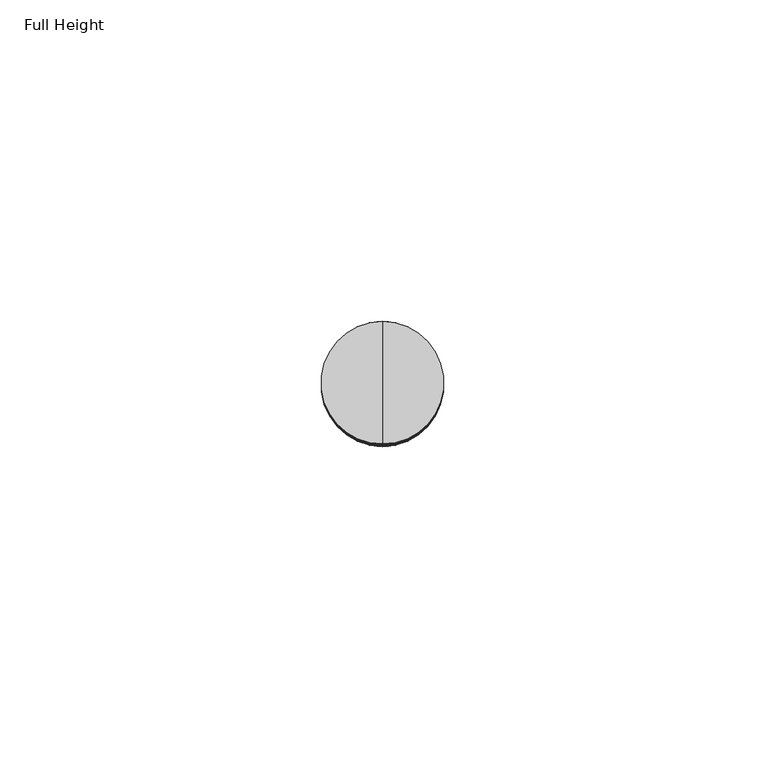
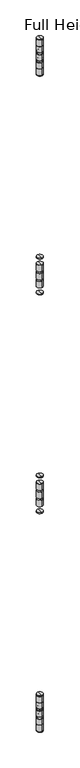
"""IFC4 building model written with IfcOpenShell, lengths in millimetres: plate geometry, Full Height."""

from ifc_helpers import new_model, si_unit, point, frame, origin, place, context, project, spatial, circle_curve, ellipse_curve, trimmed, source, transform, mapped, element, save
from ifc_brep_helpers import plane_surface, cylinder_surface, revolved_surface, advanced_brep


def full_height_0926f318(model_context):
    return source(origin(), model_context, "Body", "AdvancedBrep", [
        advanced_brep(
        [(-464.6647824, 30.9626, 1093.0466667), (-464.6647824, 30.9626, 1095.0786667), (-464.6647824, 50.0126, 1095.0786667), (-464.6647824, 50.0126, 1093.0466667), (-464.6647824, 40.4876, 1093.0466667), (-464.6647824, 40.4876, 1095.0786667)],
        [
            (0, 1),
            (1, 2, circle_curve(frame((-464.6647824, 40.4876, 1095.0786667), z_axis=(0.0, 0.0, -1.0), x_axis=(0.0, 1.0, 0.0)), 9.525)),
            (2, 3),
            (3, 0, circle_curve(frame((-464.6647824, 40.4876, 1093.0466667), z_axis=(0.0, 0.0, 1.0), x_axis=(0.0, 1.0, 0.0)), 9.525)),
            (2, 1, circle_curve(frame((-464.6647824, 40.4876, 1095.0786667), z_axis=(0.0, 0.0, -1.0), x_axis=(0.0, 1.0, 0.0)), 9.525)),
            (0, 3, circle_curve(frame((-464.6647824, 40.4876, 1093.0466667), z_axis=(0.0, 0.0, 1.0), x_axis=(0.0, 1.0, 0.0)), 9.525)),
            (4, 0),
            (3, 4),
            (1, 5),
            (5, 2),
        ],
        [
            cylinder_surface(frame((-464.6647824, 40.4876, 1871.6413333), z_axis=(0.0, 0.0, -1.0), x_axis=(0.0, 1.0, 0.0)), 9.525),
            plane_surface(frame((-464.6647824, 40.4876, 1093.0466667), z_axis=(0.0, 0.0, -1.0), x_axis=(0.0, 1.0, 0.0))),
            plane_surface(frame((-464.6647824, 40.4876, 1095.0786667), z_axis=(0.0, 0.0, 1.0), x_axis=(0.0, 1.0, 0.0))),
        ],
        [
            (0, [[1, 2, 3, 4]]),
            (0, [[-3, 5, -1, 6]]),
            (1, [[7, -4, 8]]),
            (1, [[-8, -6, -7]]),
            (2, [[9, 10, -2]]),
            (2, [[-10, -9, -5]]),
        ],
    ),
        advanced_brep(
        [(-464.6647824, 30.9626, 1052.4066667), (-464.6647824, 30.9626, 1072.7266667), (-464.6647824, 50.0126, 1072.7266667), (-464.6647824, 50.0126, 1052.4066667), (-464.6647824, 40.4876, 1052.4066667), (-464.6647824, 40.4876, 1072.7266667)],
        [
            (0, 1),
            (1, 2, circle_curve(frame((-464.6647824, 40.4876, 1072.7266667), z_axis=(0.0, 0.0, -1.0), x_axis=(0.0, 1.0, 0.0)), 9.525)),
            (2, 3),
            (3, 0, circle_curve(frame((-464.6647824, 40.4876, 1052.4066667), z_axis=(0.0, 0.0, 1.0), x_axis=(0.0, 1.0, 0.0)), 9.525)),
            (2, 1, circle_curve(frame((-464.6647824, 40.4876, 1072.7266667), z_axis=(0.0, 0.0, -1.0), x_axis=(0.0, 1.0, 0.0)), 9.525)),
            (0, 3, circle_curve(frame((-464.6647824, 40.4876, 1052.4066667), z_axis=(0.0, 0.0, 1.0), x_axis=(0.0, 1.0, 0.0)), 9.525)),
            (4, 0),
            (3, 4),
            (1, 5),
            (5, 2),
        ],
        [
            cylinder_surface(frame((-464.6647824, 40.4876, 1871.6413333), z_axis=(0.0, 0.0, -1.0), x_axis=(0.0, 1.0, 0.0)), 9.525),
            plane_surface(frame((-464.6647824, 40.4876, 1052.4066667), z_axis=(0.0, 0.0, -1.0), x_axis=(0.0, 1.0, 0.0))),
            plane_surface(frame((-464.6647824, 40.4876, 1072.7266667), z_axis=(0.0, 0.0, 1.0), x_axis=(0.0, 1.0, 0.0))),
        ],
        [
            (0, [[1, 2, 3, 4]]),
            (0, [[-3, 5, -1, 6]]),
            (1, [[7, -4, 8]]),
            (1, [[-8, -6, -7]]),
            (2, [[9, 10, -2]]),
            (2, [[-10, -9, -5]]),
        ],
    ),
        advanced_brep(
        [(-464.6647824, 30.9626, 1025.7366667), (-464.6647824, 30.9626, 1046.0566667), (-464.6647824, 50.0126, 1046.0566667), (-464.6647824, 50.0126, 1025.7366667), (-464.6647824, 40.4876, 1025.7366667), (-464.6647824, 40.4876, 1046.0566667)],
        [
            (0, 1),
            (1, 2, circle_curve(frame((-464.6647824, 40.4876, 1046.0566667), z_axis=(0.0, 0.0, -1.0), x_axis=(0.0, 1.0, 0.0)), 9.525)),
            (2, 3),
            (3, 0, circle_curve(frame((-464.6647824, 40.4876, 1025.7366667), z_axis=(0.0, 0.0, 1.0), x_axis=(0.0, 1.0, 0.0)), 9.525)),
            (2, 1, circle_curve(frame((-464.6647824, 40.4876, 1046.0566667), z_axis=(0.0, 0.0, -1.0), x_axis=(0.0, 1.0, 0.0)), 9.525)),
            (0, 3, circle_curve(frame((-464.6647824, 40.4876, 1025.7366667), z_axis=(0.0, 0.0, 1.0), x_axis=(0.0, 1.0, 0.0)), 9.525)),
            (4, 0),
            (3, 4),
            (1, 5),
            (5, 2),
        ],
        [
            cylinder_surface(frame((-464.6647824, 40.4876, 1871.6413333), z_axis=(0.0, 0.0, -1.0), x_axis=(0.0, 1.0, 0.0)), 9.525),
            plane_surface(frame((-464.6647824, 40.4876, 1025.7366667), z_axis=(0.0, 0.0, -1.0), x_axis=(0.0, 1.0, 0.0))),
            plane_surface(frame((-464.6647824, 40.4876, 1046.0566667), z_axis=(0.0, 0.0, 1.0), x_axis=(0.0, 1.0, 0.0))),
        ],
        [
            (0, [[1, 2, 3, 4]]),
            (0, [[-3, 5, -1, 6]]),
            (1, [[7, -4, 8]]),
            (1, [[-8, -6, -7]]),
            (2, [[9, 10, -2]]),
            (2, [[-10, -9, -5]]),
        ],
    ),
        advanced_brep(
        [(-464.6647824, 30.9626, 1019.3866667), (-464.6647824, 40.4876, 1019.3866667), (-464.6647824, 50.0126, 1019.3866667), (-464.6647824, 30.9626, 999.0666667), (-464.6647824, 50.0126, 999.0666667), (-464.6647824, 40.4876, 999.0666667)],
        [
            (0, 1),
            (1, 2),
            (2, 0, circle_curve(frame((-464.6647824, 40.4876, 1019.3866667), z_axis=(0.0, 0.0, 1.0), x_axis=(0.0, 1.0, 0.0)), 9.525)),
            (0, 2, circle_curve(frame((-464.6647824, 40.4876, 1019.3866667), z_axis=(0.0, 0.0, 1.0), x_axis=(0.0, 1.0, 0.0)), 9.525)),
            (3, 0),
            (2, 4),
            (4, 3, circle_curve(frame((-464.6647824, 40.4876, 999.0666667), z_axis=(0.0, 0.0, 1.0), x_axis=(0.0, 1.0, 0.0)), 9.525)),
            (3, 4, circle_curve(frame((-464.6647824, 40.4876, 999.0666667), z_axis=(0.0, 0.0, 1.0), x_axis=(0.0, 1.0, 0.0)), 9.525)),
            (5, 3),
            (4, 5),
        ],
        [
            plane_surface(frame((-464.6647824, 40.4876, 1019.3866667), z_axis=(0.0, 0.0, 1.0), x_axis=(0.0, 1.0, 0.0))),
            cylinder_surface(frame((-464.6647824, 40.4876, 1871.6413333), z_axis=(0.0, 0.0, -1.0), x_axis=(0.0, 1.0, 0.0)), 9.525),
            plane_surface(frame((-464.6647824, 40.4876, 999.0666667), z_axis=(0.0, 0.0, -1.0), x_axis=(0.0, 1.0, 0.0))),
        ],
        [
            (0, [[1, 2, 3]]),
            (0, [[-2, -1, 4]]),
            (1, [[5, -3, 6, 7]]),
            (1, [[-6, -4, -5, 8]]),
            (2, [[9, -7, 10]]),
            (2, [[-10, -8, -9]]),
        ],
    ),
        advanced_brep(
        [(-464.6647824, 30.9626, 976.7146667), (-464.6647824, 30.9626, 978.7466667), (-464.6647824, 50.0126, 978.7466667), (-464.6647824, 50.0126, 976.7146667), (-464.6647824, 40.4876, 976.7146667), (-464.6647824, 40.4876, 978.7466667)],
        [
            (0, 1),
            (1, 2, circle_curve(frame((-464.6647824, 40.4876, 978.7466667), z_axis=(0.0, 0.0, -1.0), x_axis=(0.0, 1.0, 0.0)), 9.525)),
            (2, 3),
            (3, 0, circle_curve(frame((-464.6647824, 40.4876, 976.7146667), z_axis=(0.0, 0.0, 1.0), x_axis=(0.0, 1.0, 0.0)), 9.525)),
            (2, 1, circle_curve(frame((-464.6647824, 40.4876, 978.7466667), z_axis=(0.0, 0.0, -1.0), x_axis=(0.0, 1.0, 0.0)), 9.525)),
            (0, 3, circle_curve(frame((-464.6647824, 40.4876, 976.7146667), z_axis=(0.0, 0.0, 1.0), x_axis=(0.0, 1.0, 0.0)), 9.525)),
            (4, 0),
            (3, 4),
            (1, 5),
            (5, 2),
        ],
        [
            cylinder_surface(frame((-464.6647824, 40.4876, 1871.6413333), z_axis=(0.0, 0.0, -1.0), x_axis=(0.0, 1.0, 0.0)), 9.525),
            plane_surface(frame((-464.6647824, 40.4876, 976.7146667), z_axis=(0.0, 0.0, -1.0), x_axis=(0.0, 1.0, 0.0))),
            plane_surface(frame((-464.6647824, 40.4876, 978.7466667), z_axis=(0.0, 0.0, 1.0), x_axis=(0.0, 1.0, 0.0))),
        ],
        [
            (0, [[1, 2, 3, 4]]),
            (0, [[-3, 5, -1, 6]]),
            (1, [[7, -4, 8]]),
            (1, [[-8, -6, -7]]),
            (2, [[9, 10, -2]]),
            (2, [[-10, -9, -5]]),
        ],
    ),
        advanced_brep(
        [(-464.6647824, 30.9626, 1805.0933333), (-464.6647824, 30.9626, 1807.1253333), (-464.6647824, 50.0126, 1807.1253333), (-464.6647824, 50.0126, 1805.0933333), (-464.6647824, 40.4876, 1805.0933333), (-464.6647824, 40.4876, 1807.1253333)],
        [
            (0, 1),
            (1, 2, circle_curve(frame((-464.6647824, 40.4876, 1807.1253333), z_axis=(0.0, 0.0, -1.0), x_axis=(0.0, 1.0, 0.0)), 9.525)),
            (2, 3),
            (3, 0, circle_curve(frame((-464.6647824, 40.4876, 1805.0933333), z_axis=(0.0, 0.0, 1.0), x_axis=(0.0, 1.0, 0.0)), 9.525)),
            (2, 1, circle_curve(frame((-464.6647824, 40.4876, 1807.1253333), z_axis=(0.0, 0.0, -1.0), x_axis=(0.0, 1.0, 0.0)), 9.525)),
            (0, 3, circle_curve(frame((-464.6647824, 40.4876, 1805.0933333), z_axis=(0.0, 0.0, 1.0), x_axis=(0.0, 1.0, 0.0)), 9.525)),
            (4, 0),
            (3, 4),
            (1, 5),
            (5, 2),
        ],
        [
            cylinder_surface(frame((-464.6647824, 40.4876, 1871.6413333), z_axis=(0.0, 0.0, -1.0), x_axis=(0.0, 1.0, 0.0)), 9.525),
            plane_surface(frame((-464.6647824, 40.4876, 1805.0933333), z_axis=(0.0, 0.0, -1.0), x_axis=(0.0, 1.0, 0.0))),
            plane_surface(frame((-464.6647824, 40.4876, 1807.1253333), z_axis=(0.0, 0.0, 1.0), x_axis=(0.0, 1.0, 0.0))),
        ],
        [
            (0, [[1, 2, 3, 4]]),
            (0, [[-3, 5, -1, 6]]),
            (1, [[7, -4, 8]]),
            (1, [[-8, -6, -7]]),
            (2, [[9, 10, -2]]),
            (2, [[-10, -9, -5]]),
        ],
    ),
        advanced_brep(
        [(-464.6647824, 30.9626, 1764.4533333), (-464.6647824, 30.9626, 1784.7733333), (-464.6647824, 50.0126, 1784.7733333), (-464.6647824, 50.0126, 1764.4533333), (-464.6647824, 40.4876, 1764.4533333), (-464.6647824, 40.4876, 1784.7733333)],
        [
            (0, 1),
            (1, 2, circle_curve(frame((-464.6647824, 40.4876, 1784.7733333), z_axis=(0.0, 0.0, -1.0), x_axis=(0.0, 1.0, 0.0)), 9.525)),
            (2, 3),
            (3, 0, circle_curve(frame((-464.6647824, 40.4876, 1764.4533333), z_axis=(0.0, 0.0, 1.0), x_axis=(0.0, 1.0, 0.0)), 9.525)),
            (2, 1, circle_curve(frame((-464.6647824, 40.4876, 1784.7733333), z_axis=(0.0, 0.0, -1.0), x_axis=(0.0, 1.0, 0.0)), 9.525)),
            (0, 3, circle_curve(frame((-464.6647824, 40.4876, 1764.4533333), z_axis=(0.0, 0.0, 1.0), x_axis=(0.0, 1.0, 0.0)), 9.525)),
            (4, 0),
            (3, 4),
            (1, 5),
            (5, 2),
        ],
        [
            cylinder_surface(frame((-464.6647824, 40.4876, 1871.6413333), z_axis=(0.0, 0.0, -1.0), x_axis=(0.0, 1.0, 0.0)), 9.525),
            plane_surface(frame((-464.6647824, 40.4876, 1764.4533333), z_axis=(0.0, 0.0, -1.0), x_axis=(0.0, 1.0, 0.0))),
            plane_surface(frame((-464.6647824, 40.4876, 1784.7733333), z_axis=(0.0, 0.0, 1.0), x_axis=(0.0, 1.0, 0.0))),
        ],
        [
            (0, [[1, 2, 3, 4]]),
            (0, [[-3, 5, -1, 6]]),
            (1, [[7, -4, 8]]),
            (1, [[-8, -6, -7]]),
            (2, [[9, 10, -2]]),
            (2, [[-10, -9, -5]]),
        ],
    ),
        advanced_brep(
        [(-464.6647824, 30.9626, 1737.7833333), (-464.6647824, 30.9626, 1758.1033333), (-464.6647824, 50.0126, 1758.1033333), (-464.6647824, 50.0126, 1737.7833333), (-464.6647824, 40.4876, 1737.7833333), (-464.6647824, 40.4876, 1758.1033333)],
        [
            (0, 1),
            (1, 2, circle_curve(frame((-464.6647824, 40.4876, 1758.1033333), z_axis=(0.0, 0.0, -1.0), x_axis=(0.0, 1.0, 0.0)), 9.525)),
            (2, 3),
            (3, 0, circle_curve(frame((-464.6647824, 40.4876, 1737.7833333), z_axis=(0.0, 0.0, 1.0), x_axis=(0.0, 1.0, 0.0)), 9.525)),
            (2, 1, circle_curve(frame((-464.6647824, 40.4876, 1758.1033333), z_axis=(0.0, 0.0, -1.0), x_axis=(0.0, 1.0, 0.0)), 9.525)),
            (0, 3, circle_curve(frame((-464.6647824, 40.4876, 1737.7833333), z_axis=(0.0, 0.0, 1.0), x_axis=(0.0, 1.0, 0.0)), 9.525)),
            (4, 0),
            (3, 4),
            (1, 5),
            (5, 2),
        ],
        [
            cylinder_surface(frame((-464.6647824, 40.4876, 1871.6413333), z_axis=(0.0, 0.0, -1.0), x_axis=(0.0, 1.0, 0.0)), 9.525),
            plane_surface(frame((-464.6647824, 40.4876, 1737.7833333), z_axis=(0.0, 0.0, -1.0), x_axis=(0.0, 1.0, 0.0))),
            plane_surface(frame((-464.6647824, 40.4876, 1758.1033333), z_axis=(0.0, 0.0, 1.0), x_axis=(0.0, 1.0, 0.0))),
        ],
        [
            (0, [[1, 2, 3, 4]]),
            (0, [[-3, 5, -1, 6]]),
            (1, [[7, -4, 8]]),
            (1, [[-8, -6, -7]]),
            (2, [[9, 10, -2]]),
            (2, [[-10, -9, -5]]),
        ],
    ),
        advanced_brep(
        [(-464.6647824, 30.9626, 1711.1133333), (-464.6647824, 30.9626, 1731.4333333), (-464.6647824, 50.0126, 1731.4333333), (-464.6647824, 50.0126, 1711.1133333), (-464.6647824, 40.4876, 1711.1133333), (-464.6647824, 40.4876, 1731.4333333)],
        [
            (0, 1),
            (1, 2, circle_curve(frame((-464.6647824, 40.4876, 1731.4333333), z_axis=(0.0, 0.0, -1.0), x_axis=(0.0, 1.0, 0.0)), 9.525)),
            (2, 3),
            (3, 0, circle_curve(frame((-464.6647824, 40.4876, 1711.1133333), z_axis=(0.0, 0.0, 1.0), x_axis=(0.0, 1.0, 0.0)), 9.525)),
            (2, 1, circle_curve(frame((-464.6647824, 40.4876, 1731.4333333), z_axis=(0.0, 0.0, -1.0), x_axis=(0.0, 1.0, 0.0)), 9.525)),
            (0, 3, circle_curve(frame((-464.6647824, 40.4876, 1711.1133333), z_axis=(0.0, 0.0, 1.0), x_axis=(0.0, 1.0, 0.0)), 9.525)),
            (4, 0),
            (3, 4),
            (1, 5),
            (5, 2),
        ],
        [
            cylinder_surface(frame((-464.6647824, 40.4876, 1871.6413333), z_axis=(0.0, 0.0, -1.0), x_axis=(0.0, 1.0, 0.0)), 9.525),
            plane_surface(frame((-464.6647824, 40.4876, 1711.1133333), z_axis=(0.0, 0.0, -1.0), x_axis=(0.0, 1.0, 0.0))),
            plane_surface(frame((-464.6647824, 40.4876, 1731.4333333), z_axis=(0.0, 0.0, 1.0), x_axis=(0.0, 1.0, 0.0))),
        ],
        [
            (0, [[1, 2, 3, 4]]),
            (0, [[-3, 5, -1, 6]]),
            (1, [[7, -4, 8]]),
            (1, [[-8, -6, -7]]),
            (2, [[9, 10, -2]]),
            (2, [[-10, -9, -5]]),
        ],
    ),
        advanced_brep(
        [(-464.6647824, 40.4876, 1688.7613333), (-464.6647824, 30.9626, 1688.7613333), (-464.6647824, 50.0126, 1688.7613333), (-464.6647824, 30.9626, 1690.7933333), (-464.6647824, 40.4876, 1690.7933333), (-464.6647824, 50.0126, 1690.7933333)],
        [
            (0, 1),
            (1, 2, circle_curve(frame((-464.6647824, 40.4876, 1688.7613333), z_axis=(0.0, 0.0, -1.0), x_axis=(0.0, 1.0, 0.0)), 9.525)),
            (2, 0),
            (2, 1, circle_curve(frame((-464.6647824, 40.4876, 1688.7613333), z_axis=(0.0, 0.0, -1.0), x_axis=(0.0, 1.0, 0.0)), 9.525)),
            (3, 4),
            (4, 5),
            (5, 3, circle_curve(frame((-464.6647824, 40.4876, 1690.7933333), z_axis=(0.0, 0.0, 1.0), x_axis=(0.0, 1.0, 0.0)), 9.525)),
            (3, 5, circle_curve(frame((-464.6647824, 40.4876, 1690.7933333), z_axis=(0.0, 0.0, 1.0), x_axis=(0.0, 1.0, 0.0)), 9.525)),
            (1, 3),
            (5, 2),
        ],
        [
            plane_surface(frame((-464.6647824, 40.4876, 1688.7613333), z_axis=(0.0, 0.0, -1.0), x_axis=(0.0, 1.0, 0.0))),
            plane_surface(frame((-464.6647824, 40.4876, 1690.7933333), z_axis=(0.0, 0.0, 1.0), x_axis=(0.0, 1.0, 0.0))),
            cylinder_surface(frame((-464.6647824, 40.4876, 1871.6413333), z_axis=(0.0, 0.0, -1.0), x_axis=(0.0, 1.0, 0.0)), 9.525),
        ],
        [
            (0, [[1, 2, 3]]),
            (0, [[-3, 4, -1]]),
            (1, [[5, 6, 7]]),
            (1, [[-6, -5, 8]]),
            (2, [[9, -7, 10, -2]]),
            (2, [[-10, -8, -9, -4]]),
        ],
    ),
        advanced_brep(
        [(-464.6647824, 30.9626, 334.518), (-464.6647824, 30.9626, 339.852), (-464.6647824, 50.0126, 339.852), (-464.6647824, 50.0126, 334.518), (-464.6647824, 40.4876, 334.01), (-464.6647824, 31.4706, 334.01), (-464.6647824, 49.5046, 334.01), (-464.6647824, 31.4706, 340.36), (-464.6647824, 40.4876, 340.36), (-464.6647824, 49.5046, 340.36)],
        [
            (0, 1),
            (1, 2, circle_curve(frame((-464.6647824, 40.4876, 339.852), z_axis=(0.0, 0.0, -1.0), x_axis=(0.0, 1.0, 0.0)), 9.525)),
            (2, 3),
            (3, 0, circle_curve(frame((-464.6647824, 40.4876, 334.518), z_axis=(0.0, 0.0, 1.0), x_axis=(0.0, 1.0, 0.0)), 9.525)),
            (2, 1, circle_curve(frame((-464.6647824, 40.4876, 339.852), z_axis=(0.0, 0.0, -1.0), x_axis=(0.0, 1.0, 0.0)), 9.525)),
            (0, 3, circle_curve(frame((-464.6647824, 40.4876, 334.518), z_axis=(0.0, 0.0, 1.0), x_axis=(0.0, 1.0, 0.0)), 9.525)),
            (4, 5),
            (5, 6, circle_curve(frame((-464.6647824, 40.4876, 334.01), z_axis=(0.0, 0.0, -1.0), x_axis=(0.0, 1.0, 0.0)), 9.017)),
            (6, 4),
            (6, 5, circle_curve(frame((-464.6647824, 40.4876, 334.01), z_axis=(0.0, 0.0, -1.0), x_axis=(0.0, 1.0, 0.0)), 9.017)),
            (7, 8),
            (8, 9),
            (9, 7, circle_curve(frame((-464.6647824, 40.4876, 340.36), z_axis=(0.0, 0.0, 1.0), x_axis=(0.0, 1.0, 0.0)), 9.017)),
            (7, 9, circle_curve(frame((-464.6647824, 40.4876, 340.36), z_axis=(0.0, 0.0, 1.0), x_axis=(0.0, 1.0, 0.0)), 9.017)),
            (1, 7, circle_curve(frame((-464.6647824, 31.4706, 339.852), z_axis=(-1.0, 0.0, 0.0), x_axis=(0.0, 1.0, 0.0)), 0.508)),
            (9, 2, circle_curve(frame((-464.6647824, 49.5046, 339.852), z_axis=(-1.0, 0.0, 0.0), x_axis=(0.0, -1.0, 0.0)), 0.508)),
            (5, 0, circle_curve(frame((-464.6647824, 31.4706, 334.518), z_axis=(-1.0, 0.0, 0.0), x_axis=(0.0, 1.0, 0.0)), 0.508)),
            (3, 6, circle_curve(frame((-464.6647824, 49.5046, 334.518), z_axis=(-1.0, 0.0, 0.0), x_axis=(0.0, -1.0, 0.0)), 0.508)),
        ],
        [
            cylinder_surface(frame((-464.6647824, 40.4876, 2533.65), z_axis=(0.0, 0.0, -1.0), x_axis=(0.0, 1.0, 0.0)), 9.525),
            plane_surface(frame((-464.6647824, 40.4876, 334.01), z_axis=(0.0, 0.0, -1.0), x_axis=(0.0, 1.0, 0.0))),
            plane_surface(frame((-464.6647824, 40.4876, 340.36), z_axis=(0.0, 0.0, 1.0), x_axis=(0.0, 1.0, 0.0))),
            revolved_surface(trimmed(ellipse_curve(frame((-464.6647824, 49.5046, 339.852), z_axis=(-1.0, 0.0, 0.0), x_axis=(0.0, -1.0, 0.0)), 0.508, 0.508), [point((-464.6647824, 49.5046, 340.36))], [point((-464.6647824, 50.0126, 339.852))], True, "CARTESIAN"), (-464.6647824, 40.4876, 2533.65), (0.0, 0.0, -1.0)),
            revolved_surface(trimmed(ellipse_curve(frame((-464.6647824, 49.5046, 334.518), z_axis=(-1.0, 0.0, 0.0), x_axis=(0.0, -1.0, 0.0)), 0.508, 0.508), [point((-464.6647824, 50.0126, 334.518))], [point((-464.6647824, 49.5046, 334.01))], True, "CARTESIAN"), (-464.6647824, 40.4876, 2533.65), (0.0, 0.0, -1.0)),
        ],
        [
            (0, [[1, 2, 3, 4]]),
            (0, [[-3, 5, -1, 6]]),
            (1, [[7, 8, 9]]),
            (1, [[-9, 10, -7]]),
            (2, [[11, 12, 13]]),
            (2, [[-12, -11, 14]]),
            (3, [[15, -13, 16, -2]]),
            (3, [[-16, -14, -15, -5]]),
            (4, [[17, -4, 18, -8]]),
            (4, [[-18, -6, -17, -10]]),
        ],
    ),
        advanced_brep(
        [(-464.6647824, 30.9626, 307.848), (-464.6647824, 30.9626, 313.182), (-464.6647824, 50.0126, 313.182), (-464.6647824, 50.0126, 307.848), (-464.6647824, 40.4876, 307.34), (-464.6647824, 31.4706, 307.34), (-464.6647824, 49.5046, 307.34), (-464.6647824, 31.4706, 313.69), (-464.6647824, 40.4876, 313.69), (-464.6647824, 49.5046, 313.69)],
        [
            (0, 1),
            (1, 2, circle_curve(frame((-464.6647824, 40.4876, 313.182), z_axis=(0.0, 0.0, -1.0), x_axis=(0.0, 1.0, 0.0)), 9.525)),
            (2, 3),
            (3, 0, circle_curve(frame((-464.6647824, 40.4876, 307.848), z_axis=(0.0, 0.0, 1.0), x_axis=(0.0, 1.0, 0.0)), 9.525)),
            (2, 1, circle_curve(frame((-464.6647824, 40.4876, 313.182), z_axis=(0.0, 0.0, -1.0), x_axis=(0.0, 1.0, 0.0)), 9.525)),
            (0, 3, circle_curve(frame((-464.6647824, 40.4876, 307.848), z_axis=(0.0, 0.0, 1.0), x_axis=(0.0, 1.0, 0.0)), 9.525)),
            (4, 5),
            (5, 6, circle_curve(frame((-464.6647824, 40.4876, 307.34), z_axis=(0.0, 0.0, -1.0), x_axis=(0.0, 1.0, 0.0)), 9.017)),
            (6, 4),
            (6, 5, circle_curve(frame((-464.6647824, 40.4876, 307.34), z_axis=(0.0, 0.0, -1.0), x_axis=(0.0, 1.0, 0.0)), 9.017)),
            (7, 8),
            (8, 9),
            (9, 7, circle_curve(frame((-464.6647824, 40.4876, 313.69), z_axis=(0.0, 0.0, 1.0), x_axis=(0.0, 1.0, 0.0)), 9.017)),
            (7, 9, circle_curve(frame((-464.6647824, 40.4876, 313.69), z_axis=(0.0, 0.0, 1.0), x_axis=(0.0, 1.0, 0.0)), 9.017)),
            (1, 7, circle_curve(frame((-464.6647824, 31.4706, 313.182), z_axis=(-1.0, 0.0, 0.0), x_axis=(0.0, 1.0, 0.0)), 0.508)),
            (9, 2, circle_curve(frame((-464.6647824, 49.5046, 313.182), z_axis=(-1.0, 0.0, 0.0), x_axis=(0.0, -1.0, 0.0)), 0.508)),
            (5, 0, circle_curve(frame((-464.6647824, 31.4706, 307.848), z_axis=(-1.0, 0.0, 0.0), x_axis=(0.0, 1.0, 0.0)), 0.508)),
            (3, 6, circle_curve(frame((-464.6647824, 49.5046, 307.848), z_axis=(-1.0, 0.0, 0.0), x_axis=(0.0, -1.0, 0.0)), 0.508)),
        ],
        [
            cylinder_surface(frame((-464.6647824, 40.4876, 2533.65), z_axis=(0.0, 0.0, -1.0), x_axis=(0.0, 1.0, 0.0)), 9.525),
            plane_surface(frame((-464.6647824, 40.4876, 307.34), z_axis=(0.0, 0.0, -1.0), x_axis=(0.0, 1.0, 0.0))),
            plane_surface(frame((-464.6647824, 40.4876, 313.69), z_axis=(0.0, 0.0, 1.0), x_axis=(0.0, 1.0, 0.0))),
            revolved_surface(trimmed(ellipse_curve(frame((-464.6647824, 49.5046, 313.182), z_axis=(-1.0, 0.0, 0.0), x_axis=(0.0, -1.0, 0.0)), 0.508, 0.508), [point((-464.6647824, 49.5046, 313.69))], [point((-464.6647824, 50.0126, 313.182))], True, "CARTESIAN"), (-464.6647824, 40.4876, 2533.65), (0.0, 0.0, -1.0)),
            revolved_surface(trimmed(ellipse_curve(frame((-464.6647824, 49.5046, 307.848), z_axis=(-1.0, 0.0, 0.0), x_axis=(0.0, -1.0, 0.0)), 0.508, 0.508), [point((-464.6647824, 50.0126, 307.848))], [point((-464.6647824, 49.5046, 307.34))], True, "CARTESIAN"), (-464.6647824, 40.4876, 2533.65), (0.0, 0.0, -1.0)),
        ],
        [
            (0, [[1, 2, 3, 4]]),
            (0, [[-3, 5, -1, 6]]),
            (1, [[7, 8, 9]]),
            (1, [[-9, 10, -7]]),
            (2, [[11, 12, 13]]),
            (2, [[-12, -11, 14]]),
            (3, [[15, -13, 16, -2]]),
            (3, [[-16, -14, -15, -5]]),
            (4, [[17, -4, 18, -8]]),
            (4, [[-18, -6, -17, -10]]),
        ],
    ),
        advanced_brep(
        [(-464.6647824, 30.9626, 2470.658), (-464.6647824, 30.9626, 2475.992), (-464.6647824, 50.0126, 2475.992), (-464.6647824, 50.0126, 2470.658), (-464.6647824, 40.4876, 2470.15), (-464.6647824, 31.4706, 2470.15), (-464.6647824, 49.5046, 2470.15), (-464.6647824, 31.4706, 2476.5), (-464.6647824, 40.4876, 2476.5), (-464.6647824, 49.5046, 2476.5)],
        [
            (0, 1),
            (1, 2, circle_curve(frame((-464.6647824, 40.4876, 2475.992), z_axis=(0.0, 0.0, -1.0), x_axis=(0.0, 1.0, 0.0)), 9.525)),
            (2, 3),
            (3, 0, circle_curve(frame((-464.6647824, 40.4876, 2470.658), z_axis=(0.0, 0.0, 1.0), x_axis=(0.0, 1.0, 0.0)), 9.525)),
            (2, 1, circle_curve(frame((-464.6647824, 40.4876, 2475.992), z_axis=(0.0, 0.0, -1.0), x_axis=(0.0, 1.0, 0.0)), 9.525)),
            (0, 3, circle_curve(frame((-464.6647824, 40.4876, 2470.658), z_axis=(0.0, 0.0, 1.0), x_axis=(0.0, 1.0, 0.0)), 9.525)),
            (4, 5),
            (5, 6, circle_curve(frame((-464.6647824, 40.4876, 2470.15), z_axis=(0.0, 0.0, -1.0), x_axis=(0.0, 1.0, 0.0)), 9.017)),
            (6, 4),
            (6, 5, circle_curve(frame((-464.6647824, 40.4876, 2470.15), z_axis=(0.0, 0.0, -1.0), x_axis=(0.0, 1.0, 0.0)), 9.017)),
            (7, 8),
            (8, 9),
            (9, 7, circle_curve(frame((-464.6647824, 40.4876, 2476.5), z_axis=(0.0, 0.0, 1.0), x_axis=(0.0, 1.0, 0.0)), 9.017)),
            (7, 9, circle_curve(frame((-464.6647824, 40.4876, 2476.5), z_axis=(0.0, 0.0, 1.0), x_axis=(0.0, 1.0, 0.0)), 9.017)),
            (1, 7, circle_curve(frame((-464.6647824, 31.4706, 2475.992), z_axis=(-1.0, 0.0, 0.0), x_axis=(0.0, 1.0, 0.0)), 0.508)),
            (9, 2, circle_curve(frame((-464.6647824, 49.5046, 2475.992), z_axis=(-1.0, 0.0, 0.0), x_axis=(0.0, -1.0, 0.0)), 0.508)),
            (5, 0, circle_curve(frame((-464.6647824, 31.4706, 2470.658), z_axis=(-1.0, 0.0, 0.0), x_axis=(0.0, 1.0, 0.0)), 0.508)),
            (3, 6, circle_curve(frame((-464.6647824, 49.5046, 2470.658), z_axis=(-1.0, 0.0, 0.0), x_axis=(0.0, -1.0, 0.0)), 0.508)),
        ],
        [
            cylinder_surface(frame((-464.6647824, 40.4876, 2533.65), z_axis=(0.0, 0.0, -1.0), x_axis=(0.0, 1.0, 0.0)), 9.525),
            plane_surface(frame((-464.6647824, 40.4876, 2470.15), z_axis=(0.0, 0.0, -1.0), x_axis=(0.0, 1.0, 0.0))),
            plane_surface(frame((-464.6647824, 40.4876, 2476.5), z_axis=(0.0, 0.0, 1.0), x_axis=(0.0, 1.0, 0.0))),
            revolved_surface(trimmed(ellipse_curve(frame((-464.6647824, 49.5046, 2475.992), z_axis=(-1.0, 0.0, 0.0), x_axis=(0.0, -1.0, 0.0)), 0.508, 0.508), [point((-464.6647824, 49.5046, 2476.5))], [point((-464.6647824, 50.0126, 2475.992))], True, "CARTESIAN"), (-464.6647824, 40.4876, 2533.65), (0.0, 0.0, -1.0)),
            revolved_surface(trimmed(ellipse_curve(frame((-464.6647824, 49.5046, 2470.658), z_axis=(-1.0, 0.0, 0.0), x_axis=(0.0, -1.0, 0.0)), 0.508, 0.508), [point((-464.6647824, 50.0126, 2470.658))], [point((-464.6647824, 49.5046, 2470.15))], True, "CARTESIAN"), (-464.6647824, 40.4876, 2533.65), (0.0, 0.0, -1.0)),
        ],
        [
            (0, [[1, 2, 3, 4]]),
            (0, [[-3, 5, -1, 6]]),
            (1, [[7, 8, 9]]),
            (1, [[-9, 10, -7]]),
            (2, [[11, 12, 13]]),
            (2, [[-12, -11, 14]]),
            (3, [[15, -13, 16, -2]]),
            (3, [[-16, -14, -15, -5]]),
            (4, [[17, -4, 18, -8]]),
            (4, [[-18, -6, -17, -10]]),
        ],
    ),
        advanced_brep(
        [(-464.6647824, 30.9626, 2443.988), (-464.6647824, 30.9626, 2449.322), (-464.6647824, 50.0126, 2449.322), (-464.6647824, 50.0126, 2443.988), (-464.6647824, 40.4876, 2443.48), (-464.6647824, 31.4706, 2443.48), (-464.6647824, 49.5046, 2443.48), (-464.6647824, 31.4706, 2449.83), (-464.6647824, 40.4876, 2449.83), (-464.6647824, 49.5046, 2449.83)],
        [
            (0, 1),
            (1, 2, circle_curve(frame((-464.6647824, 40.4876, 2449.322), z_axis=(0.0, 0.0, -1.0), x_axis=(0.0, 1.0, 0.0)), 9.525)),
            (2, 3),
            (3, 0, circle_curve(frame((-464.6647824, 40.4876, 2443.988), z_axis=(0.0, 0.0, 1.0), x_axis=(0.0, 1.0, 0.0)), 9.525)),
            (2, 1, circle_curve(frame((-464.6647824, 40.4876, 2449.322), z_axis=(0.0, 0.0, -1.0), x_axis=(0.0, 1.0, 0.0)), 9.525)),
            (0, 3, circle_curve(frame((-464.6647824, 40.4876, 2443.988), z_axis=(0.0, 0.0, 1.0), x_axis=(0.0, 1.0, 0.0)), 9.525)),
            (4, 5),
            (5, 6, circle_curve(frame((-464.6647824, 40.4876, 2443.48), z_axis=(0.0, 0.0, -1.0), x_axis=(0.0, 1.0, 0.0)), 9.017)),
            (6, 4),
            (6, 5, circle_curve(frame((-464.6647824, 40.4876, 2443.48), z_axis=(0.0, 0.0, -1.0), x_axis=(0.0, 1.0, 0.0)), 9.017)),
            (7, 8),
            (8, 9),
            (9, 7, circle_curve(frame((-464.6647824, 40.4876, 2449.83), z_axis=(0.0, 0.0, 1.0), x_axis=(0.0, 1.0, 0.0)), 9.017)),
            (7, 9, circle_curve(frame((-464.6647824, 40.4876, 2449.83), z_axis=(0.0, 0.0, 1.0), x_axis=(0.0, 1.0, 0.0)), 9.017)),
            (1, 7, circle_curve(frame((-464.6647824, 31.4706, 2449.322), z_axis=(-1.0, 0.0, 0.0), x_axis=(0.0, 1.0, 0.0)), 0.508)),
            (9, 2, circle_curve(frame((-464.6647824, 49.5046, 2449.322), z_axis=(-1.0, 0.0, 0.0), x_axis=(0.0, -1.0, 0.0)), 0.508)),
            (5, 0, circle_curve(frame((-464.6647824, 31.4706, 2443.988), z_axis=(-1.0, 0.0, 0.0), x_axis=(0.0, 1.0, 0.0)), 0.508)),
            (3, 6, circle_curve(frame((-464.6647824, 49.5046, 2443.988), z_axis=(-1.0, 0.0, 0.0), x_axis=(0.0, -1.0, 0.0)), 0.508)),
        ],
        [
            cylinder_surface(frame((-464.6647824, 40.4876, 2533.65), z_axis=(0.0, 0.0, -1.0), x_axis=(0.0, 1.0, 0.0)), 9.525),
            plane_surface(frame((-464.6647824, 40.4876, 2443.48), z_axis=(0.0, 0.0, -1.0), x_axis=(0.0, 1.0, 0.0))),
            plane_surface(frame((-464.6647824, 40.4876, 2449.83), z_axis=(0.0, 0.0, 1.0), x_axis=(0.0, 1.0, 0.0))),
            revolved_surface(trimmed(ellipse_curve(frame((-464.6647824, 49.5046, 2449.322), z_axis=(-1.0, 0.0, 0.0), x_axis=(0.0, -1.0, 0.0)), 0.508, 0.508), [point((-464.6647824, 49.5046, 2449.83))], [point((-464.6647824, 50.0126, 2449.322))], True, "CARTESIAN"), (-464.6647824, 40.4876, 2533.65), (0.0, 0.0, -1.0)),
            revolved_surface(trimmed(ellipse_curve(frame((-464.6647824, 49.5046, 2443.988), z_axis=(-1.0, 0.0, 0.0), x_axis=(0.0, -1.0, 0.0)), 0.508, 0.508), [point((-464.6647824, 50.0126, 2443.988))], [point((-464.6647824, 49.5046, 2443.48))], True, "CARTESIAN"), (-464.6647824, 40.4876, 2533.65), (0.0, 0.0, -1.0)),
        ],
        [
            (0, [[1, 2, 3, 4]]),
            (0, [[-3, 5, -1, 6]]),
            (1, [[7, 8, 9]]),
            (1, [[-9, 10, -7]]),
            (2, [[11, 12, 13]]),
            (2, [[-12, -11, 14]]),
            (3, [[15, -13, 16, -2]]),
            (3, [[-16, -14, -15, -5]]),
            (4, [[17, -4, 18, -8]]),
            (4, [[-18, -6, -17, -10]]),
        ],
    ),
        advanced_brep(
        [(-464.6647824, 30.9626, 2496.82), (-464.6647824, 30.9626, 2517.14), (-464.6647824, 50.0126, 2517.14), (-464.6647824, 50.0126, 2496.82), (-464.6647824, 40.4876, 2496.82), (-464.6647824, 40.4876, 2517.14)],
        [
            (0, 1),
            (1, 2, circle_curve(frame((-464.6647824, 40.4876, 2517.14), z_axis=(0.0, 0.0, -1.0), x_axis=(0.0, 1.0, 0.0)), 9.525)),
            (2, 3),
            (3, 0, circle_curve(frame((-464.6647824, 40.4876, 2496.82), z_axis=(0.0, 0.0, 1.0), x_axis=(0.0, 1.0, 0.0)), 9.525)),
            (2, 1, circle_curve(frame((-464.6647824, 40.4876, 2517.14), z_axis=(0.0, 0.0, -1.0), x_axis=(0.0, 1.0, 0.0)), 9.525)),
            (0, 3, circle_curve(frame((-464.6647824, 40.4876, 2496.82), z_axis=(0.0, 0.0, 1.0), x_axis=(0.0, 1.0, 0.0)), 9.525)),
            (4, 0),
            (3, 4),
            (1, 5),
            (5, 2),
        ],
        [
            cylinder_surface(frame((-464.6647824, 40.4876, 139.7), z_axis=(0.0, 0.0, -1.0), x_axis=(0.0, 1.0, 0.0)), 9.525),
            plane_surface(frame((-464.6647824, 40.4876, 2496.82), z_axis=(0.0, 0.0, -1.0), x_axis=(0.0, 1.0, 0.0))),
            plane_surface(frame((-464.6647824, 40.4876, 2517.14), z_axis=(0.0, 0.0, 1.0), x_axis=(0.0, 1.0, 0.0))),
        ],
        [
            (0, [[1, 2, 3, 4]]),
            (0, [[-3, 5, -1, 6]]),
            (1, [[7, -4, 8]]),
            (1, [[-8, -6, -7]]),
            (2, [[9, 10, -2]]),
            (2, [[-10, -9, -5]]),
        ],
    ),
        advanced_brep(
        [(-464.6647824, 30.9626, 2449.83), (-464.6647824, 30.9626, 2470.15), (-464.6647824, 50.0126, 2470.15), (-464.6647824, 50.0126, 2449.83), (-464.6647824, 40.4876, 2449.83), (-464.6647824, 40.4876, 2470.15)],
        [
            (0, 1),
            (1, 2, circle_curve(frame((-464.6647824, 40.4876, 2470.15), z_axis=(0.0, 0.0, -1.0), x_axis=(0.0, 1.0, 0.0)), 9.525)),
            (2, 3),
            (3, 0, circle_curve(frame((-464.6647824, 40.4876, 2449.83), z_axis=(0.0, 0.0, 1.0), x_axis=(0.0, 1.0, 0.0)), 9.525)),
            (2, 1, circle_curve(frame((-464.6647824, 40.4876, 2470.15), z_axis=(0.0, 0.0, -1.0), x_axis=(0.0, 1.0, 0.0)), 9.525)),
            (0, 3, circle_curve(frame((-464.6647824, 40.4876, 2449.83), z_axis=(0.0, 0.0, 1.0), x_axis=(0.0, 1.0, 0.0)), 9.525)),
            (4, 0),
            (3, 4),
            (1, 5),
            (5, 2),
        ],
        [
            cylinder_surface(frame((-464.6647824, 40.4876, 139.7), z_axis=(0.0, 0.0, -1.0), x_axis=(0.0, 1.0, 0.0)), 9.525),
            plane_surface(frame((-464.6647824, 40.4876, 2449.83), z_axis=(0.0, 0.0, -1.0), x_axis=(0.0, 1.0, 0.0))),
            plane_surface(frame((-464.6647824, 40.4876, 2470.15), z_axis=(0.0, 0.0, 1.0), x_axis=(0.0, 1.0, 0.0))),
        ],
        [
            (0, [[1, 2, 3, 4]]),
            (0, [[-3, 5, -1, 6]]),
            (1, [[7, -4, 8]]),
            (1, [[-8, -6, -7]]),
            (2, [[9, 10, -2]]),
            (2, [[-10, -9, -5]]),
        ],
    ),
        advanced_brep(
        [(-464.6647824, 30.9626, 2402.84), (-464.6647824, 30.9626, 2423.16), (-464.6647824, 50.0126, 2423.16), (-464.6647824, 50.0126, 2402.84), (-464.6647824, 40.4876, 2402.84), (-464.6647824, 40.4876, 2423.16)],
        [
            (0, 1),
            (1, 2, circle_curve(frame((-464.6647824, 40.4876, 2423.16), z_axis=(0.0, 0.0, -1.0), x_axis=(0.0, 1.0, 0.0)), 9.525)),
            (2, 3),
            (3, 0, circle_curve(frame((-464.6647824, 40.4876, 2402.84), z_axis=(0.0, 0.0, 1.0), x_axis=(0.0, 1.0, 0.0)), 9.525)),
            (2, 1, circle_curve(frame((-464.6647824, 40.4876, 2423.16), z_axis=(0.0, 0.0, -1.0), x_axis=(0.0, 1.0, 0.0)), 9.525)),
            (0, 3, circle_curve(frame((-464.6647824, 40.4876, 2402.84), z_axis=(0.0, 0.0, 1.0), x_axis=(0.0, 1.0, 0.0)), 9.525)),
            (4, 0),
            (3, 4),
            (1, 5),
            (5, 2),
        ],
        [
            cylinder_surface(frame((-464.6647824, 40.4876, 139.7), z_axis=(0.0, 0.0, -1.0), x_axis=(0.0, 1.0, 0.0)), 9.525),
            plane_surface(frame((-464.6647824, 40.4876, 2402.84), z_axis=(0.0, 0.0, -1.0), x_axis=(0.0, 1.0, 0.0))),
            plane_surface(frame((-464.6647824, 40.4876, 2423.16), z_axis=(0.0, 0.0, 1.0), x_axis=(0.0, 1.0, 0.0))),
        ],
        [
            (0, [[1, 2, 3, 4]]),
            (0, [[-3, 5, -1, 6]]),
            (1, [[7, -4, 8]]),
            (1, [[-8, -6, -7]]),
            (2, [[9, 10, -2]]),
            (2, [[-10, -9, -5]]),
        ],
    ),
        advanced_brep(
        [(-464.6647824, 30.9626, 381.0), (-464.6647824, 40.4876, 381.0), (-464.6647824, 50.0126, 381.0), (-464.6647824, 30.9626, 360.68), (-464.6647824, 50.0126, 360.68), (-464.6647824, 40.4876, 360.68)],
        [
            (0, 1),
            (1, 2),
            (2, 0, circle_curve(frame((-464.6647824, 40.4876, 381.0), z_axis=(0.0, 0.0, 1.0), x_axis=(0.0, 1.0, 0.0)), 9.525)),
            (0, 2, circle_curve(frame((-464.6647824, 40.4876, 381.0), z_axis=(0.0, 0.0, 1.0), x_axis=(0.0, 1.0, 0.0)), 9.525)),
            (3, 0),
            (2, 4),
            (4, 3, circle_curve(frame((-464.6647824, 40.4876, 360.68), z_axis=(0.0, 0.0, 1.0), x_axis=(0.0, 1.0, 0.0)), 9.525)),
            (3, 4, circle_curve(frame((-464.6647824, 40.4876, 360.68), z_axis=(0.0, 0.0, 1.0), x_axis=(0.0, 1.0, 0.0)), 9.525)),
            (5, 3),
            (4, 5),
        ],
        [
            plane_surface(frame((-464.6647824, 40.4876, 381.0), z_axis=(0.0, 0.0, 1.0), x_axis=(0.0, 1.0, 0.0))),
            cylinder_surface(frame((-464.6647824, 40.4876, 139.7), z_axis=(0.0, 0.0, -1.0), x_axis=(0.0, 1.0, 0.0)), 9.525),
            plane_surface(frame((-464.6647824, 40.4876, 360.68), z_axis=(0.0, 0.0, -1.0), x_axis=(0.0, 1.0, 0.0))),
        ],
        [
            (0, [[1, 2, 3]]),
            (0, [[-2, -1, 4]]),
            (1, [[5, -3, 6, 7]]),
            (1, [[-6, -4, -5, 8]]),
            (2, [[9, -7, 10]]),
            (2, [[-10, -8, -9]]),
        ],
    ),
        advanced_brep(
        [(-464.6647824, 30.9626, 313.69), (-464.6647824, 30.9626, 334.01), (-464.6647824, 50.0126, 334.01), (-464.6647824, 50.0126, 313.69), (-464.6647824, 40.4876, 313.69), (-464.6647824, 40.4876, 334.01)],
        [
            (0, 1),
            (1, 2, circle_curve(frame((-464.6647824, 40.4876, 334.01), z_axis=(0.0, 0.0, -1.0), x_axis=(0.0, 1.0, 0.0)), 9.525)),
            (2, 3),
            (3, 0, circle_curve(frame((-464.6647824, 40.4876, 313.69), z_axis=(0.0, 0.0, 1.0), x_axis=(0.0, 1.0, 0.0)), 9.525)),
            (2, 1, circle_curve(frame((-464.6647824, 40.4876, 334.01), z_axis=(0.0, 0.0, -1.0), x_axis=(0.0, 1.0, 0.0)), 9.525)),
            (0, 3, circle_curve(frame((-464.6647824, 40.4876, 313.69), z_axis=(0.0, 0.0, 1.0), x_axis=(0.0, 1.0, 0.0)), 9.525)),
            (4, 0),
            (3, 4),
            (1, 5),
            (5, 2),
        ],
        [
            cylinder_surface(frame((-464.6647824, 40.4876, 139.7), z_axis=(0.0, 0.0, -1.0), x_axis=(0.0, 1.0, 0.0)), 9.525),
            plane_surface(frame((-464.6647824, 40.4876, 313.69), z_axis=(0.0, 0.0, -1.0), x_axis=(0.0, 1.0, 0.0))),
            plane_surface(frame((-464.6647824, 40.4876, 334.01), z_axis=(0.0, 0.0, 1.0), x_axis=(0.0, 1.0, 0.0))),
        ],
        [
            (0, [[1, 2, 3, 4]]),
            (0, [[-3, 5, -1, 6]]),
            (1, [[7, -4, 8]]),
            (1, [[-8, -6, -7]]),
            (2, [[9, 10, -2]]),
            (2, [[-10, -9, -5]]),
        ],
    ),
        advanced_brep(
        [(-464.6647824, 30.9626, 266.7), (-464.6647824, 30.9626, 287.02), (-464.6647824, 50.0126, 287.02), (-464.6647824, 50.0126, 266.7), (-464.6647824, 40.4876, 266.7), (-464.6647824, 40.4876, 287.02)],
        [
            (0, 1),
            (1, 2, circle_curve(frame((-464.6647824, 40.4876, 287.02), z_axis=(0.0, 0.0, -1.0), x_axis=(0.0, 1.0, 0.0)), 9.525)),
            (2, 3),
            (3, 0, circle_curve(frame((-464.6647824, 40.4876, 266.7), z_axis=(0.0, 0.0, 1.0), x_axis=(0.0, 1.0, 0.0)), 9.525)),
            (2, 1, circle_curve(frame((-464.6647824, 40.4876, 287.02), z_axis=(0.0, 0.0, -1.0), x_axis=(0.0, 1.0, 0.0)), 9.525)),
            (0, 3, circle_curve(frame((-464.6647824, 40.4876, 266.7), z_axis=(0.0, 0.0, 1.0), x_axis=(0.0, 1.0, 0.0)), 9.525)),
            (4, 0),
            (3, 4),
            (1, 5),
            (5, 2),
        ],
        [
            cylinder_surface(frame((-464.6647824, 40.4876, 139.7), z_axis=(0.0, 0.0, -1.0), x_axis=(0.0, 1.0, 0.0)), 9.525),
            plane_surface(frame((-464.6647824, 40.4876, 266.7), z_axis=(0.0, 0.0, -1.0), x_axis=(0.0, 1.0, 0.0))),
            plane_surface(frame((-464.6647824, 40.4876, 287.02), z_axis=(0.0, 0.0, 1.0), x_axis=(0.0, 1.0, 0.0))),
        ],
        [
            (0, [[1, 2, 3, 4]]),
            (0, [[-3, 5, -1, 6]]),
            (1, [[7, -4, 8]]),
            (1, [[-8, -6, -7]]),
            (2, [[9, 10, -2]]),
            (2, [[-10, -9, -5]]),
        ],
    ),
        advanced_brep(
        [(-464.6647824, 40.4876, 381.0), (-464.6647824, 30.9626, 381.0), (-464.6647824, 50.0126, 381.0), (-464.6647824, 30.9626, 383.032), (-464.6647824, 50.0126, 383.032), (-464.6647824, 40.4876, 383.032)],
        [
            (0, 1),
            (1, 2, circle_curve(frame((-464.6647824, 40.4876, 381.0), z_axis=(0.0, 0.0, -1.0), x_axis=(0.0, 1.0, 0.0)), 9.525)),
            (2, 0),
            (2, 1, circle_curve(frame((-464.6647824, 40.4876, 381.0), z_axis=(0.0, 0.0, -1.0), x_axis=(0.0, 1.0, 0.0)), 9.525)),
            (1, 3),
            (3, 4, circle_curve(frame((-464.6647824, 40.4876, 383.032), z_axis=(0.0, 0.0, -1.0), x_axis=(0.0, 1.0, 0.0)), 9.525)),
            (4, 2),
            (4, 3, circle_curve(frame((-464.6647824, 40.4876, 383.032), z_axis=(0.0, 0.0, -1.0), x_axis=(0.0, 1.0, 0.0)), 9.525)),
            (3, 5),
            (5, 4),
        ],
        [
            plane_surface(frame((-464.6647824, 40.4876, 381.0), z_axis=(0.0, 0.0, -1.0), x_axis=(0.0, 1.0, 0.0))),
            cylinder_surface(frame((-464.6647824, 40.4876, 2525.522), z_axis=(0.0, 0.0, -1.0), x_axis=(0.0, 1.0, 0.0)), 9.525),
            plane_surface(frame((-464.6647824, 40.4876, 383.032), z_axis=(0.0, 0.0, 1.0), x_axis=(0.0, 1.0, 0.0))),
        ],
        [
            (0, [[1, 2, 3]]),
            (0, [[-3, 4, -1]]),
            (1, [[5, 6, 7, -2]]),
            (1, [[-7, 8, -5, -4]]),
            (2, [[9, 10, -6]]),
            (2, [[-10, -9, -8]]),
        ],
    ),
        advanced_brep(
        [(-464.6647824, 40.4876, 264.668), (-464.6647824, 30.9626, 264.668), (-464.6647824, 50.0126, 264.668), (-464.6647824, 30.9626, 266.7), (-464.6647824, 50.0126, 266.7), (-464.6647824, 40.4876, 266.7)],
        [
            (0, 1),
            (1, 2, circle_curve(frame((-464.6647824, 40.4876, 264.668), z_axis=(0.0, 0.0, -1.0), x_axis=(0.0, 1.0, 0.0)), 9.525)),
            (2, 0),
            (2, 1, circle_curve(frame((-464.6647824, 40.4876, 264.668), z_axis=(0.0, 0.0, -1.0), x_axis=(0.0, 1.0, 0.0)), 9.525)),
            (1, 3),
            (3, 4, circle_curve(frame((-464.6647824, 40.4876, 266.7), z_axis=(0.0, 0.0, -1.0), x_axis=(0.0, 1.0, 0.0)), 9.525)),
            (4, 2),
            (4, 3, circle_curve(frame((-464.6647824, 40.4876, 266.7), z_axis=(0.0, 0.0, -1.0), x_axis=(0.0, 1.0, 0.0)), 9.525)),
            (3, 5),
            (5, 4),
        ],
        [
            plane_surface(frame((-464.6647824, 40.4876, 264.668), z_axis=(0.0, 0.0, -1.0), x_axis=(0.0, 1.0, 0.0))),
            cylinder_surface(frame((-464.6647824, 40.4876, 2525.522), z_axis=(0.0, 0.0, -1.0), x_axis=(0.0, 1.0, 0.0)), 9.525),
            plane_surface(frame((-464.6647824, 40.4876, 266.7), z_axis=(0.0, 0.0, 1.0), x_axis=(0.0, 1.0, 0.0))),
        ],
        [
            (0, [[1, 2, 3]]),
            (0, [[-3, 4, -1]]),
            (1, [[5, 6, 7, -2]]),
            (1, [[-7, 8, -5, -4]]),
            (2, [[9, 10, -6]]),
            (2, [[-10, -9, -8]]),
        ],
    ),
        advanced_brep(
        [(-464.6647824, 40.4876, 340.36), (-464.6647824, 30.9626, 340.36), (-464.6647824, 50.0126, 340.36), (-464.6647824, 30.9626, 360.68), (-464.6647824, 50.0126, 360.68), (-464.6647824, 40.4876, 360.68)],
        [
            (0, 1),
            (1, 2, circle_curve(frame((-464.6647824, 40.4876, 340.36), z_axis=(0.0, 0.0, -1.0), x_axis=(0.0, 1.0, 0.0)), 9.525)),
            (2, 0),
            (2, 1, circle_curve(frame((-464.6647824, 40.4876, 340.36), z_axis=(0.0, 0.0, -1.0), x_axis=(0.0, 1.0, 0.0)), 9.525)),
            (1, 3),
            (3, 4, circle_curve(frame((-464.6647824, 40.4876, 360.68), z_axis=(0.0, 0.0, -1.0), x_axis=(0.0, 1.0, 0.0)), 9.525)),
            (4, 2),
            (4, 3, circle_curve(frame((-464.6647824, 40.4876, 360.68), z_axis=(0.0, 0.0, -1.0), x_axis=(0.0, 1.0, 0.0)), 9.525)),
            (3, 5),
            (5, 4),
        ],
        [
            plane_surface(frame((-464.6647824, 40.4876, 340.36), z_axis=(0.0, 0.0, -1.0), x_axis=(0.0, 1.0, 0.0))),
            cylinder_surface(frame((-464.6647824, 40.4876, 2525.522), z_axis=(0.0, 0.0, -1.0), x_axis=(0.0, 1.0, 0.0)), 9.525),
            plane_surface(frame((-464.6647824, 40.4876, 360.68), z_axis=(0.0, 0.0, 1.0), x_axis=(0.0, 1.0, 0.0))),
        ],
        [
            (0, [[1, 2, 3]]),
            (0, [[-3, 4, -1]]),
            (1, [[5, 6, 7, -2]]),
            (1, [[-7, 8, -5, -4]]),
            (2, [[9, 10, -6]]),
            (2, [[-10, -9, -8]]),
        ],
    ),
        advanced_brep(
        [(-464.6647824, 40.4876, 287.02), (-464.6647824, 30.9626, 287.02), (-464.6647824, 50.0126, 287.02), (-464.6647824, 30.9626, 307.34), (-464.6647824, 50.0126, 307.34), (-464.6647824, 40.4876, 307.34)],
        [
            (0, 1),
            (1, 2, circle_curve(frame((-464.6647824, 40.4876, 287.02), z_axis=(0.0, 0.0, -1.0), x_axis=(0.0, 1.0, 0.0)), 9.525)),
            (2, 0),
            (2, 1, circle_curve(frame((-464.6647824, 40.4876, 287.02), z_axis=(0.0, 0.0, -1.0), x_axis=(0.0, 1.0, 0.0)), 9.525)),
            (1, 3),
            (3, 4, circle_curve(frame((-464.6647824, 40.4876, 307.34), z_axis=(0.0, 0.0, -1.0), x_axis=(0.0, 1.0, 0.0)), 9.525)),
            (4, 2),
            (4, 3, circle_curve(frame((-464.6647824, 40.4876, 307.34), z_axis=(0.0, 0.0, -1.0), x_axis=(0.0, 1.0, 0.0)), 9.525)),
            (3, 5),
            (5, 4),
        ],
        [
            plane_surface(frame((-464.6647824, 40.4876, 287.02), z_axis=(0.0, 0.0, -1.0), x_axis=(0.0, 1.0, 0.0))),
            cylinder_surface(frame((-464.6647824, 40.4876, 2525.522), z_axis=(0.0, 0.0, -1.0), x_axis=(0.0, 1.0, 0.0)), 9.525),
            plane_surface(frame((-464.6647824, 40.4876, 307.34), z_axis=(0.0, 0.0, 1.0), x_axis=(0.0, 1.0, 0.0))),
        ],
        [
            (0, [[1, 2, 3]]),
            (0, [[-3, 4, -1]]),
            (1, [[5, 6, 7, -2]]),
            (1, [[-7, 8, -5, -4]]),
            (2, [[9, 10, -6]]),
            (2, [[-10, -9, -8]]),
        ],
    ),
        advanced_brep(
        [(-464.6647824, 40.4876, 2517.14), (-464.6647824, 30.9626, 2517.14), (-464.6647824, 50.0126, 2517.14), (-464.6647824, 30.9626, 2519.172), (-464.6647824, 50.0126, 2519.172), (-464.6647824, 40.4876, 2519.172)],
        [
            (0, 1),
            (1, 2, circle_curve(frame((-464.6647824, 40.4876, 2517.14), z_axis=(0.0, 0.0, -1.0), x_axis=(0.0, 1.0, 0.0)), 9.525)),
            (2, 0),
            (2, 1, circle_curve(frame((-464.6647824, 40.4876, 2517.14), z_axis=(0.0, 0.0, -1.0), x_axis=(0.0, 1.0, 0.0)), 9.525)),
            (1, 3),
            (3, 4, circle_curve(frame((-464.6647824, 40.4876, 2519.172), z_axis=(0.0, 0.0, -1.0), x_axis=(0.0, 1.0, 0.0)), 9.525)),
            (4, 2),
            (4, 3, circle_curve(frame((-464.6647824, 40.4876, 2519.172), z_axis=(0.0, 0.0, -1.0), x_axis=(0.0, 1.0, 0.0)), 9.525)),
            (3, 5),
            (5, 4),
        ],
        [
            plane_surface(frame((-464.6647824, 40.4876, 2517.14), z_axis=(0.0, 0.0, -1.0), x_axis=(0.0, 1.0, 0.0))),
            cylinder_surface(frame((-464.6647824, 40.4876, 2525.522), z_axis=(0.0, 0.0, -1.0), x_axis=(0.0, 1.0, 0.0)), 9.525),
            plane_surface(frame((-464.6647824, 40.4876, 2519.172), z_axis=(0.0, 0.0, 1.0), x_axis=(0.0, 1.0, 0.0))),
        ],
        [
            (0, [[1, 2, 3]]),
            (0, [[-3, 4, -1]]),
            (1, [[5, 6, 7, -2]]),
            (1, [[-7, 8, -5, -4]]),
            (2, [[9, 10, -6]]),
            (2, [[-10, -9, -8]]),
        ],
    ),
        advanced_brep(
        [(-464.6647824, 40.4876, 2400.808), (-464.6647824, 30.9626, 2400.808), (-464.6647824, 50.0126, 2400.808), (-464.6647824, 30.9626, 2402.84), (-464.6647824, 50.0126, 2402.84), (-464.6647824, 40.4876, 2402.84)],
        [
            (0, 1),
            (1, 2, circle_curve(frame((-464.6647824, 40.4876, 2400.808), z_axis=(0.0, 0.0, -1.0), x_axis=(0.0, 1.0, 0.0)), 9.525)),
            (2, 0),
            (2, 1, circle_curve(frame((-464.6647824, 40.4876, 2400.808), z_axis=(0.0, 0.0, -1.0), x_axis=(0.0, 1.0, 0.0)), 9.525)),
            (1, 3),
            (3, 4, circle_curve(frame((-464.6647824, 40.4876, 2402.84), z_axis=(0.0, 0.0, -1.0), x_axis=(0.0, 1.0, 0.0)), 9.525)),
            (4, 2),
            (4, 3, circle_curve(frame((-464.6647824, 40.4876, 2402.84), z_axis=(0.0, 0.0, -1.0), x_axis=(0.0, 1.0, 0.0)), 9.525)),
            (3, 5),
            (5, 4),
        ],
        [
            plane_surface(frame((-464.6647824, 40.4876, 2400.808), z_axis=(0.0, 0.0, -1.0), x_axis=(0.0, 1.0, 0.0))),
            cylinder_surface(frame((-464.6647824, 40.4876, 2525.522), z_axis=(0.0, 0.0, -1.0), x_axis=(0.0, 1.0, 0.0)), 9.525),
            plane_surface(frame((-464.6647824, 40.4876, 2402.84), z_axis=(0.0, 0.0, 1.0), x_axis=(0.0, 1.0, 0.0))),
        ],
        [
            (0, [[1, 2, 3]]),
            (0, [[-3, 4, -1]]),
            (1, [[5, 6, 7, -2]]),
            (1, [[-7, 8, -5, -4]]),
            (2, [[9, 10, -6]]),
            (2, [[-10, -9, -8]]),
        ],
    ),
        advanced_brep(
        [(-464.6647824, 40.4876, 2476.5), (-464.6647824, 30.9626, 2476.5), (-464.6647824, 50.0126, 2476.5), (-464.6647824, 30.9626, 2496.82), (-464.6647824, 50.0126, 2496.82), (-464.6647824, 40.4876, 2496.82)],
        [
            (0, 1),
            (1, 2, circle_curve(frame((-464.6647824, 40.4876, 2476.5), z_axis=(0.0, 0.0, -1.0), x_axis=(0.0, 1.0, 0.0)), 9.525)),
            (2, 0),
            (2, 1, circle_curve(frame((-464.6647824, 40.4876, 2476.5), z_axis=(0.0, 0.0, -1.0), x_axis=(0.0, 1.0, 0.0)), 9.525)),
            (1, 3),
            (3, 4, circle_curve(frame((-464.6647824, 40.4876, 2496.82), z_axis=(0.0, 0.0, -1.0), x_axis=(0.0, 1.0, 0.0)), 9.525)),
            (4, 2),
            (4, 3, circle_curve(frame((-464.6647824, 40.4876, 2496.82), z_axis=(0.0, 0.0, -1.0), x_axis=(0.0, 1.0, 0.0)), 9.525)),
            (3, 5),
            (5, 4),
        ],
        [
            plane_surface(frame((-464.6647824, 40.4876, 2476.5), z_axis=(0.0, 0.0, -1.0), x_axis=(0.0, 1.0, 0.0))),
            cylinder_surface(frame((-464.6647824, 40.4876, 2525.522), z_axis=(0.0, 0.0, -1.0), x_axis=(0.0, 1.0, 0.0)), 9.525),
            plane_surface(frame((-464.6647824, 40.4876, 2496.82), z_axis=(0.0, 0.0, 1.0), x_axis=(0.0, 1.0, 0.0))),
        ],
        [
            (0, [[1, 2, 3]]),
            (0, [[-3, 4, -1]]),
            (1, [[5, 6, 7, -2]]),
            (1, [[-7, 8, -5, -4]]),
            (2, [[9, 10, -6]]),
            (2, [[-10, -9, -8]]),
        ],
    ),
        advanced_brep(
        [(-464.6647824, 40.4876, 2423.16), (-464.6647824, 30.9626, 2423.16), (-464.6647824, 50.0126, 2423.16), (-464.6647824, 30.9626, 2443.48), (-464.6647824, 50.0126, 2443.48), (-464.6647824, 40.4876, 2443.48)],
        [
            (0, 1),
            (1, 2, circle_curve(frame((-464.6647824, 40.4876, 2423.16), z_axis=(0.0, 0.0, -1.0), x_axis=(0.0, 1.0, 0.0)), 9.525)),
            (2, 0),
            (2, 1, circle_curve(frame((-464.6647824, 40.4876, 2423.16), z_axis=(0.0, 0.0, -1.0), x_axis=(0.0, 1.0, 0.0)), 9.525)),
            (1, 3),
            (3, 4, circle_curve(frame((-464.6647824, 40.4876, 2443.48), z_axis=(0.0, 0.0, -1.0), x_axis=(0.0, 1.0, 0.0)), 9.525)),
            (4, 2),
            (4, 3, circle_curve(frame((-464.6647824, 40.4876, 2443.48), z_axis=(0.0, 0.0, -1.0), x_axis=(0.0, 1.0, 0.0)), 9.525)),
            (3, 5),
            (5, 4),
        ],
        [
            plane_surface(frame((-464.6647824, 40.4876, 2423.16), z_axis=(0.0, 0.0, -1.0), x_axis=(0.0, 1.0, 0.0))),
            cylinder_surface(frame((-464.6647824, 40.4876, 2525.522), z_axis=(0.0, 0.0, -1.0), x_axis=(0.0, 1.0, 0.0)), 9.525),
            plane_surface(frame((-464.6647824, 40.4876, 2443.48), z_axis=(0.0, 0.0, 1.0), x_axis=(0.0, 1.0, 0.0))),
        ],
        [
            (0, [[1, 2, 3]]),
            (0, [[-3, 4, -1]]),
            (1, [[5, 6, 7, -2]]),
            (1, [[-7, 8, -5, -4]]),
            (2, [[9, 10, -6]]),
            (2, [[-10, -9, -8]]),
        ],
    ),
    ])


if __name__ == "__main__":
    model = new_model("IFC4")
    model_context = context("Model", 3, world=origin())
    ifc_project = project(units=[si_unit("LENGTHUNIT", "METRE", prefix="MILLI")], contexts=[model_context])
    site = spatial("IfcSite", under=ifc_project)
    building = spatial("IfcBuilding", under=site)
    placement = place(None, origin())
    full_height_shape = full_height_0926f318(model_context)
    element("IfcPlate", 1, ObjectType="Full Height", at=placement, inside=building, context=model_context, shape_type="MappedRepresentation", body=[
        mapped(full_height_shape, transform((0.0, 0.0, 0.0), x_axis=(1.0, 0.0, 0.0), y_axis=(0.0, 1.0, 0.0), z_axis=(0.0, 0.0, 1.0))),
    ])
    save(model, "model.ifc")
